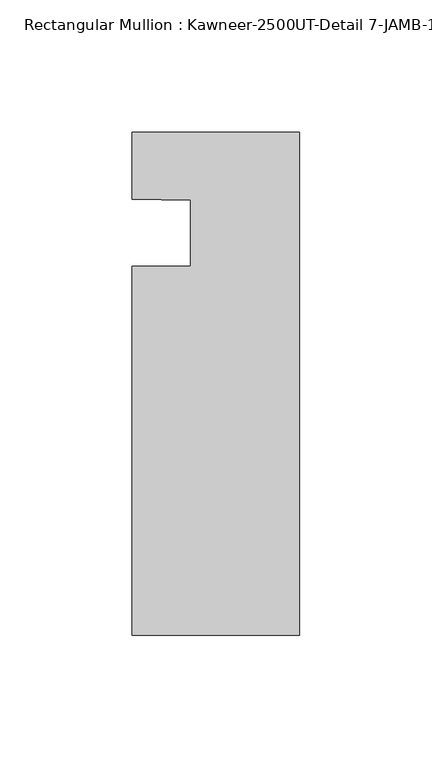
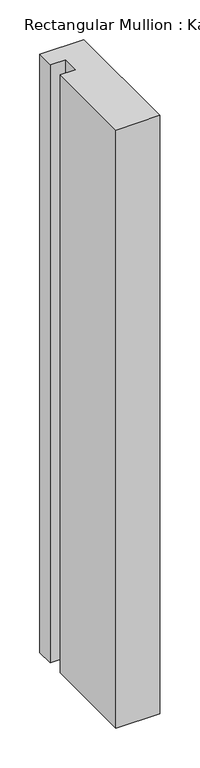
"""IFC4 building model written with IfcOpenShell, lengths in millimetres: member geometry, Rectangular Mullion : Kawneer-2500UT-Detail 7-JAMB-1 INCH INFILL."""

import ifcopenshell
import ifcopenshell.guid

model = None  # the IFC model being written
_history = None  # IfcOwnerHistory: only IFC2X3 demands one
_inside = {}  # id of a spatial element -> (the spatial element, [elements in it])
_under = {}  # id of a project, library or spatial element -> (it, [spatial elements below it])
_declared = {}  # id of a project -> (the project, [libraries it declares])
_typed = {}  # id of a type object -> (the type object, [elements of that type])
_made_of = {}  # id of a material, layer set ... -> (it, [elements and type objects made of it])


def new_model(schema):
    """Start an empty IFC model of exactly this schema.

    Asked for "IFC4X3", IfcOpenShell would pick the latest addendum, in which some entities
    have other attributes; the version numbers below select the first issue.
    IFC2X3 requires an IfcOwnerHistory on every rooted entity: one is made here for all.
    """
    global model, _history
    if schema == "IFC4X3":
        model = ifcopenshell.file(schema_version=(4, 3, 0, 0))
    else:
        model = ifcopenshell.file(schema=schema)
    _inside.clear()
    _under.clear()
    _declared.clear()
    _typed.clear()
    _made_of.clear()
    _history = None
    if model.schema == "IFC2X3":
        org = make("IfcOrganization", Name="unknown")
        user = make(
            "IfcPersonAndOrganization",
            ThePerson=make("IfcPerson", FamilyName="unknown"),
            TheOrganization=org,
        )
        app = make(
            "IfcApplication",
            ApplicationDeveloper=org,
            Version="unknown",
            ApplicationFullName="unknown",
            ApplicationIdentifier="unknown",
        )
        _history = make(
            "IfcOwnerHistory",
            OwningUser=user,
            OwningApplication=app,
            ChangeAction="ADDED",
            CreationDate=0,
        )
    return model


def make(cls, **values):
    """One entity of the class cls with the attributes given. An attribute that is None is left unset."""
    return model.create_entity(
        cls, **{name: value for name, value in values.items() if value is not None}
    )


def rooted(cls, **values):
    """An entity with a GlobalId (a new one), such as an element, a storey or a relation."""
    return make(cls, GlobalId=ifcopenshell.guid.new(), OwnerHistory=_history, **values)


def si_unit(unit_type, name, prefix=None):
    """IfcSIUnit, for example si_unit("LENGTHUNIT", "METRE", prefix="MILLI")."""
    return make("IfcSIUnit", UnitType=unit_type, Prefix=prefix, Name=name)


def assignment(units):
    """IfcUnitAssignment: the units of a project."""
    return None if units is None else make("IfcUnitAssignment", Units=units)


def point(xyz):
    """IfcCartesianPoint."""
    return None if xyz is None else make("IfcCartesianPoint", Coordinates=xyz)


def direction(xyz):
    """IfcDirection."""
    return None if xyz is None else make("IfcDirection", DirectionRatios=xyz)


def frame(location, z_axis=None, x_axis=None):
    """IfcAxis2Placement3D, a coordinate frame: its origin and axes. An axis left out is left unset."""
    return make(
        "IfcAxis2Placement3D",
        Location=point(location),
        Axis=direction(z_axis),
        RefDirection=direction(x_axis),
    )


def frame_2d(location, x_axis=None):
    """IfcAxis2Placement2D, a coordinate frame in the plane: its origin and x axis."""
    return make(
        "IfcAxis2Placement2D", Location=point(location), RefDirection=direction(x_axis)
    )


def origin():
    """The frame at (0, 0, 0) with its axes left unset."""
    return frame((0.0, 0.0, 0.0))


def place(relative_to, where):
    """IfcLocalPlacement: puts the frame where relative to a parent placement (None: the world)."""
    return make(
        "IfcLocalPlacement", PlacementRelTo=relative_to, RelativePlacement=where
    )


def context(
    kind, dimensions, precision=None, world=None, true_north=None, identifier=None
):
    """IfcGeometricRepresentationContext, for example the 3D "Model" context."""
    return make(
        "IfcGeometricRepresentationContext",
        ContextIdentifier=identifier,
        ContextType=kind,
        CoordinateSpaceDimension=dimensions,
        Precision=precision,
        WorldCoordinateSystem=world,
        TrueNorth=true_north,
    )


def project(units=None, contexts=None):
    """IfcProject with its units and contexts."""
    return rooted(
        "IfcProject",
        Name="project",
        RepresentationContexts=contexts,
        UnitsInContext=assignment(units),
    )


def spatial(cls, under=None, at=None, **own):
    """A site, building, storey or space (cls), placed at a placement, below another one or the project."""
    s = rooted(cls, ObjectPlacement=at, **own)
    if under is not None:
        _under.setdefault(under.id(), (under, []))[1].append(s)
    return s


def polyline(points):
    """IfcPolyline through the points."""
    return make("IfcPolyline", Points=[point(p) for p in points])


def circle_curve(where, radius):
    """IfcCircle in the frame where."""
    return make("IfcCircle", Position=where, Radius=radius)


def trimmed(basis, trim1, trim2, sense, master):
    """IfcTrimmedCurve: the piece of a basis curve between two trims."""
    return make(
        "IfcTrimmedCurve",
        BasisCurve=basis,
        Trim1=trim1,
        Trim2=trim2,
        SenseAgreement=sense,
        MasterRepresentation=master,
    )


def segment(curve, same_sense, transition):
    """IfcCompositeCurveSegment."""
    return make(
        "IfcCompositeCurveSegment",
        Transition=transition,
        SameSense=same_sense,
        ParentCurve=curve,
    )


def composite_curve(segments, self_intersect=None):
    """IfcCompositeCurve: segments joined end to end."""
    return make("IfcCompositeCurve", Segments=segments, SelfIntersect=self_intersect)


def outline(outer, holes=None, kind="AREA"):
    """IfcArbitraryClosedProfileDef: a profile drawn as a closed curve; with holes, ...WithVoids."""
    if holes is None:
        return make("IfcArbitraryClosedProfileDef", ProfileType=kind, OuterCurve=outer)
    return make(
        "IfcArbitraryProfileDefWithVoids",
        ProfileType=kind,
        OuterCurve=outer,
        InnerCurves=holes,
    )


def extrude(swept, where, along, depth):
    """IfcExtrudedAreaSolid: the profile swept, set in the frame where, extruded along a direction by depth."""
    return make(
        "IfcExtrudedAreaSolid",
        SweptArea=swept,
        Position=where,
        ExtrudedDirection=direction(along),
        Depth=depth,
    )


def shape(context_of_items, identifier, shape_type, items):
    """IfcShapeRepresentation: the items that make up one representation, for example the "Body"."""
    return make(
        "IfcShapeRepresentation",
        ContextOfItems=context_of_items,
        RepresentationIdentifier=identifier,
        RepresentationType=shape_type,
        Items=items,
    )


def source(mapping_origin, context_of_items, identifier, shape_type, items):
    """IfcRepresentationMap: a shape defined once, which mapped items show again and again."""
    return make(
        "IfcRepresentationMap",
        MappingOrigin=mapping_origin,
        MappedRepresentation=shape(context_of_items, identifier, shape_type, items),
    )


def transform(
    local_origin,
    x_axis=None,
    y_axis=None,
    z_axis=None,
    scale=None,
    scale2=None,
    scale3=None,
    uniform=True,
):
    """IfcCartesianTransformationOperator3D, or its non-uniform kind. x_axis, y_axis, z_axis: its Axis1, 2, 3."""
    if uniform:
        return make(
            "IfcCartesianTransformationOperator3D",
            Axis1=direction(x_axis),
            Axis2=direction(y_axis),
            LocalOrigin=point(local_origin),
            Scale=scale,
            Axis3=direction(z_axis),
        )
    return make(
        "IfcCartesianTransformationOperator3DnonUniform",
        Axis1=direction(x_axis),
        Axis2=direction(y_axis),
        LocalOrigin=point(local_origin),
        Scale=scale,
        Axis3=direction(z_axis),
        Scale2=scale2,
        Scale3=scale3,
    )


def mapped(mapping_source, mapping_target):
    """IfcMappedItem: shows the shape of a source again, moved by a transform."""
    return make(
        "IfcMappedItem", MappingSource=mapping_source, MappingTarget=mapping_target
    )


def made_of(thing, what):
    """Note that an element or type object is made of a material, layer set ...; save() writes the relation."""
    if what is not None:
        _made_of.setdefault(what.id(), (what, []))[1].append(thing)
    return thing


def element(
    cls,
    number,
    at=None,
    inside=None,
    cuts=None,
    type_object=None,
    material=None,
    context=None,
    identifier="Body",
    shape_type=None,
    held_by="IfcProductDefinitionShape",
    body=None,
    shapes=None,
    **own,
):
    """One element of the class cls, such as IfcWall. Its Tag is "e" and its number.

    at: its placement. inside: the storey or other place that contains it. cuts: it is an
    opening in that element (IfcRelVoidsElement). A single representation is given by context,
    identifier, shape_type and body (its items); several are given by shapes. held_by: the class
    of the entity that holds the representations. save() writes the other relations.
    """
    e = rooted(cls, Tag="e%d" % number, ObjectPlacement=at, **own)
    if body is not None:
        shapes = [shape(context, identifier, shape_type, body)]
    if shapes is not None:
        e.Representation = make(held_by, Representations=shapes)
    if inside is not None:
        _inside.setdefault(inside.id(), (inside, []))[1].append(e)
    if cuts is not None:
        rooted(
            "IfcRelVoidsElement", RelatingBuildingElement=cuts, RelatedOpeningElement=e
        )
    if type_object is not None:
        _typed.setdefault(type_object.id(), (type_object, []))[1].append(e)
    return made_of(e, material)


def aggregate(whole, parts):
    """IfcRelAggregates: a whole, such as a stair, and the parts it consists of."""
    return rooted("IfcRelAggregates", RelatingObject=whole, RelatedObjects=parts)


def save(model, path):
    """Write the relations noted so far, then the file.

    IfcRelAggregates (storeys below a building ...), IfcRelContainedInSpatialStructure (elements
    in a storey), IfcRelDefinesByType, IfcRelAssociatesMaterial and IfcRelDeclares: one each for
    every whole, place, type object, material and project.
    """
    for whole, parts in _under.values():
        aggregate(whole, parts)
    for where, things in _inside.values():
        rooted(
            "IfcRelContainedInSpatialStructure",
            RelatedElements=things,
            RelatingStructure=where,
        )
    for kind, things in _typed.values():
        rooted("IfcRelDefinesByType", RelatedObjects=things, RelatingType=kind)
    for what, things in _made_of.values():
        rooted("IfcRelAssociatesMaterial", RelatedObjects=things, RelatingMaterial=what)
    for by, libraries in _declared.values():
        rooted("IfcRelDeclares", RelatingContext=by, RelatedDefinitions=libraries)
    model.write(path)


def rectangular_mullion_kawneer_2500ut_detail_7_jamb_1_inch_b18df21f(model_context):
    return source(origin(), model_context, "Body", "SweptSolid", [
        extrude(outline(composite_curve([segment(polyline([(0.0, 25.4), (0.0, -165.099995), (-63.5, -165.099995), (-63.5, -25.4), (-41.2751132, -25.4), (-41.2751132, -0.3176283)]), True, "CONTINUOUS"), segment(trimmed(circle_curve(frame_2d((-59.1992482, -461.0078197)), 461.0387479), [point((-41.2751132, -0.3176283))], [point((-63.5, 0.0108682))], True, "CARTESIAN"), True, "CONTINUOUS"), segment(polyline([(-63.5, 0.0108682), (-63.5, 25.4), (0.0, 25.4)]), True, "CONTINUOUS")], self_intersect=False)), frame((0.0, 0.0, -914.4), z_axis=(0.0, 0.0, 1.0), x_axis=(1.0, 0.0, 0.0)), (0.0, 0.0, 1.0), 914.4),
    ])


if __name__ == "__main__":
    model = new_model("IFC4")
    model_context = context("Model", 3, world=origin())
    ifc_project = project(units=[si_unit("LENGTHUNIT", "METRE", prefix="MILLI")], contexts=[model_context])
    site = spatial("IfcSite", under=ifc_project)
    building = spatial("IfcBuilding", under=site)
    placement = place(None, origin())
    rectangular_mullion_kawneer_2500ut_detail_7_jamb_1_inch_shape = rectangular_mullion_kawneer_2500ut_detail_7_jamb_1_inch_b18df21f(model_context)
    element("IfcMember", 1, ObjectType="Rectangular Mullion : Kawneer-2500UT-Detail 7-JAMB-1 INCH INFILL", at=placement, inside=building, context=model_context, shape_type="MappedRepresentation", body=[
        mapped(rectangular_mullion_kawneer_2500ut_detail_7_jamb_1_inch_shape, transform((0.0, 0.0, 0.0), x_axis=(1.0, 0.0, 0.0), y_axis=(0.0, 1.0, 0.0), z_axis=(0.0, 0.0, 1.0))),
    ])
    save(model, "model.ifc")
